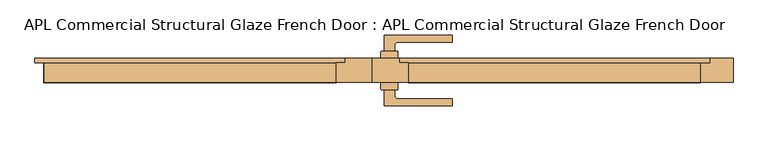
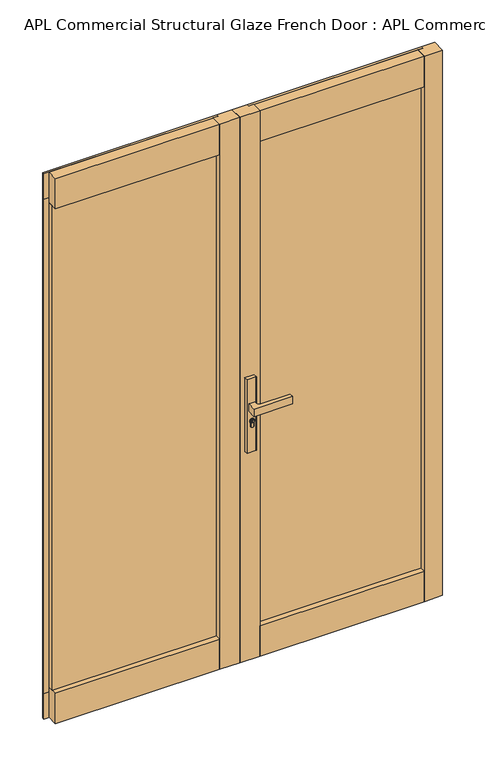
"""IFC4 building model written with IfcOpenShell, lengths in millimetres: door geometry, APL Commercial Structural Glaze French Door : APL Commercial Structural Glaze French Door."""

from ifc_helpers import new_model, si_unit, point, frame, frame_2d, origin, origin_with_axes, place, context, project, spatial, polyline, circle_curve, trimmed, segment, composite_curve, outline, extrude, faceted_brep, source, transform, mapped, element, save


def apl_commercial_structural_glaze_french_door_apl_commercial_6f933c7a(model_context):
    return source(origin(), model_context, "Body", "SolidModel", [
        extrude(outline(composite_curve([segment(trimmed(circle_curve(frame_2d((945.687184, 35.7946715)), 5.9005564), [point((945.687184, 41.6952279))], [point((945.687184, 29.8941151))], False, "CARTESIAN"), True, "CONTINUOUS"), segment(trimmed(circle_curve(frame_2d((945.687184, 35.7946715)), 5.9005564), [point((945.687184, 29.8941151))], [point((945.687184, 41.6952279))], False, "CARTESIAN"), True, "CONTINUOUS")], self_intersect=False), holes=[polyline([(946.7492167, 34.7306001), (949.7292167, 34.7306001), (949.7292167, 36.7785396), (948.9292167, 36.7785396), (948.3483344, 35.7306001), (947.1634303, 35.7306001), (946.3431864, 36.550844), (944.6002002, 36.550844), (944.0258593, 35.7306001), (941.7685105, 35.7306001), (941.7685105, 34.7306001), (944.5464263, 34.7306001), (945.1207673, 35.550844), (945.9289729, 35.550844), (946.7492167, 34.7306001)])]), frame((0.0, -55.7737577, 0.0), z_axis=(0.0, 1.0, 0.0), x_axis=(0.0, 0.0, 1.0)), (0.0, 0.0, 1.0), 4.423715),
        extrude(outline(composite_curve([segment(polyline([(18.1461528, -50.1000422), (18.1461528, -36.1000426), (53.1461525, -36.1000426), (53.1461525, -50.1000422)]), True, "CONTINUOUS"), segment(trimmed(circle_curve(frame_2d((52.1461525, -50.1000422)), 1.0), [point((53.1461525, -50.1000422))], [point((52.1461525, -51.1000422))], False, "CARTESIAN"), True, "CONTINUOUS"), segment(polyline([(52.1461525, -51.1000422), (19.1461528, -51.1000422)]), True, "CONTINUOUS"), segment(trimmed(circle_curve(frame_2d((19.1461528, -50.1000422)), 1.0), [point((19.1461528, -51.1000422))], [point((18.1461528, -50.1000422))], False, "CARTESIAN"), True, "CONTINUOUS")], self_intersect=False)), frame((0.0, 0.0, 822.4734334), z_axis=(0.0, 0.0, 1.0), x_axis=(1.0, 0.0, 0.0)), (0.0, 0.0, 1.0), 287.6450734),
        extrude(outline(composite_curve([segment(trimmed(circle_curve(frame_2d((19.1461528, 27.8999671)), 1.0), [point((18.1461528, 27.8999671))], [point((19.1461528, 28.8999671))], False, "CARTESIAN"), True, "CONTINUOUS"), segment(polyline([(19.1461528, 28.8999671), (52.1461525, 28.8999671)]), True, "CONTINUOUS"), segment(trimmed(circle_curve(frame_2d((52.1461525, 27.8999671)), 1.0), [point((52.1461525, 28.8999671))], [point((53.1461525, 27.8999671))], False, "CARTESIAN"), True, "CONTINUOUS"), segment(polyline([(53.1461525, 27.8999671), (53.1461525, 13.8999674), (18.1461528, 13.8999674), (18.1461528, 27.8999671)]), True, "CONTINUOUS")], self_intersect=False)), frame((0.0, 0.0, 822.4734334), z_axis=(0.0, 0.0, 1.0), x_axis=(1.0, 0.0, 0.0)), (0.0, 0.0, 1.0), 287.6450734),
        extrude(outline(composite_curve([segment(trimmed(circle_curve(frame_2d((945.687184, 35.7946715)), 8.4005564), [point((939.648662, 41.6346715))], [point((939.2521745, 30.3946715))], False, "CARTESIAN"), True, "CONTINUOUS"), segment(polyline([(939.2521745, 30.3946715), (926.2077404, 30.3946715)]), True, "CONTINUOUS"), segment(trimmed(circle_curve(frame_2d((926.2077404, 36.0146715)), 5.62), [point((926.2077404, 30.3946715))], [point((926.2077404, 41.6346715))], False, "CARTESIAN"), True, "CONTINUOUS"), segment(polyline([(926.2077404, 41.6346715), (939.648662, 41.6346715)]), True, "CONTINUOUS")], self_intersect=False), holes=[composite_curve([segment(trimmed(circle_curve(frame_2d((945.687184, 35.7946715)), 6.4005564), [point((945.687184, 42.1952279))], [point((945.687184, 29.3941151))], True, "CARTESIAN"), True, "CONTINUOUS"), segment(trimmed(circle_curve(frame_2d((945.687184, 35.7946715)), 6.4005564), [point((945.687184, 29.3941151))], [point((945.687184, 42.1952279))], True, "CARTESIAN"), True, "CONTINUOUS")], self_intersect=False)]), frame((0.0, -54.4093831, 0.0), z_axis=(0.0, 1.0, 0.0), x_axis=(0.0, 0.0, 1.0)), (0.0, 0.0, 1.0), 3.0593403),
        extrude(outline(composite_curve([segment(trimmed(circle_curve(frame_2d((945.687184, 35.7946715)), 6.4005564), [point((945.687184, 29.3941151))], [point((945.687184, 42.1952279))], False, "CARTESIAN"), True, "CONTINUOUS"), segment(trimmed(circle_curve(frame_2d((945.687184, 35.7946715)), 6.4005564), [point((945.687184, 42.1952279))], [point((945.687184, 29.3941151))], False, "CARTESIAN"), True, "CONTINUOUS")], self_intersect=False), holes=[composite_curve([segment(trimmed(circle_curve(frame_2d((945.687184, 35.7946715)), 5.9005564), [point((945.687184, 29.8941151))], [point((945.687184, 41.6952279))], True, "CARTESIAN"), True, "CONTINUOUS"), segment(trimmed(circle_curve(frame_2d((945.687184, 35.7946715)), 5.9005564), [point((945.687184, 41.6952279))], [point((945.687184, 29.8941151))], True, "CARTESIAN"), True, "CONTINUOUS")], self_intersect=False)]), frame((0.0, -54.4093831, 0.0), z_axis=(0.0, 1.0, 0.0), x_axis=(0.0, 0.0, 1.0)), (0.0, 0.0, 1.0), 3.0593403),
        extrude(outline(composite_curve([segment(polyline([(939.1595834, 30.1946715), (926.2077404, 30.1946715)]), True, "CONTINUOUS"), segment(trimmed(circle_curve(frame_2d((926.2077404, 36.0146715)), 5.82), [point((926.2077404, 30.1946715))], [point((926.2077404, 41.8346715))], False, "CARTESIAN"), True, "CONTINUOUS"), segment(polyline([(926.2077404, 41.8346715), (939.564442, 41.8346715)]), True, "CONTINUOUS"), segment(trimmed(circle_curve(frame_2d((945.687184, 35.7946715)), 8.6005564), [point((939.564442, 41.8346715))], [point((939.1595834, 30.1946715))], False, "CARTESIAN"), True, "CONTINUOUS")], self_intersect=False), holes=[composite_curve([segment(polyline([(926.2077404, 30.3946715), (939.2521745, 30.3946715)]), True, "CONTINUOUS"), segment(trimmed(circle_curve(frame_2d((945.687184, 35.7946715)), 8.4005564), [point((939.2521745, 30.3946715))], [point((939.648662, 41.6346715))], True, "CARTESIAN"), True, "CONTINUOUS"), segment(polyline([(939.648662, 41.6346715), (926.2077404, 41.6346715)]), True, "CONTINUOUS"), segment(trimmed(circle_curve(frame_2d((926.2077404, 36.0146715)), 5.62), [point((926.2077404, 41.6346715))], [point((926.2077404, 30.3946715))], True, "CARTESIAN"), True, "CONTINUOUS")], self_intersect=False)]), frame((0.0, -54.4093831, 0.0), z_axis=(0.0, 1.0, 0.0), x_axis=(0.0, 0.0, 1.0)), (0.0, 0.0, 1.0), 3.0593403),
        extrude(outline(composite_curve([segment(polyline([(24.6461526, -84.9566836), (24.6461526, -51.3500427), (46.6461526, -51.3500427), (46.6461526, -62.8500426)]), True, "CONTINUOUS"), segment(trimmed(circle_curve(frame_2d((54.1461526, -62.8500426)), 7.5), [point((46.6461526, -62.8500426))], [point((54.1506874, -70.3500412))], True, "CARTESIAN"), True, "CONTINUOUS"), segment(polyline([(54.1506874, -70.3500412), (166.646158, -70.3500412), (166.646158, -84.3500422)]), True, "CONTINUOUS"), segment(trimmed(circle_curve(frame_2d((91.646153, 851.6499574)), 939.0), [point((166.646158, -84.3500422))], [point((24.6461526, -84.9566836))], False, "CARTESIAN"), True, "CONTINUOUS")], self_intersect=False)), frame((0.0, 0.0, 985.1796291), z_axis=(0.0, 0.0, 1.0), x_axis=(1.0, 0.0, 0.0)), (0.0, 0.0, 1.0), 29.6407418),
        extrude(outline(composite_curve([segment(trimmed(circle_curve(frame_2d((945.687184, 35.7946715)), 5.9005564), [point((945.687184, 41.6952279))], [point((945.687184, 29.8941151))], False, "CARTESIAN"), True, "CONTINUOUS"), segment(trimmed(circle_curve(frame_2d((945.687184, 35.7946715)), 5.9005564), [point((945.687184, 29.8941151))], [point((945.687184, 41.6952279))], False, "CARTESIAN"), True, "CONTINUOUS")], self_intersect=False), holes=[polyline([(946.7492167, 34.7306001), (949.7292167, 34.7306001), (949.7292167, 36.7785396), (948.9292167, 36.7785396), (948.3483344, 35.7306001), (947.1634303, 35.7306001), (946.3431864, 36.550844), (944.6002002, 36.550844), (944.0258593, 35.7306001), (941.7685105, 35.7306001), (941.7685105, 34.7306001), (944.5464263, 34.7306001), (945.1207673, 35.550844), (945.9289729, 35.550844), (946.7492167, 34.7306001)])]), frame((0.0, 29.1499676, 0.0), z_axis=(0.0, 1.0, 0.0), x_axis=(0.0, 0.0, 1.0)), (0.0, 0.0, 1.0), 4.423715),
        extrude(outline(composite_curve([segment(trimmed(circle_curve(frame_2d((945.687184, 35.7946715)), 8.4005564), [point((939.648662, 41.6346715))], [point((939.2521745, 30.3946715))], False, "CARTESIAN"), True, "CONTINUOUS"), segment(polyline([(939.2521745, 30.3946715), (926.2077404, 30.3946715)]), True, "CONTINUOUS"), segment(trimmed(circle_curve(frame_2d((926.2077404, 36.0146715)), 5.62), [point((926.2077404, 30.3946715))], [point((926.2077404, 41.6346715))], False, "CARTESIAN"), True, "CONTINUOUS"), segment(polyline([(926.2077404, 41.6346715), (939.648662, 41.6346715)]), True, "CONTINUOUS")], self_intersect=False), holes=[composite_curve([segment(trimmed(circle_curve(frame_2d((945.687184, 35.7946715)), 6.4005564), [point((945.687184, 42.1952279))], [point((945.687184, 29.3941151))], True, "CARTESIAN"), True, "CONTINUOUS"), segment(trimmed(circle_curve(frame_2d((945.687184, 35.7946715)), 6.4005564), [point((945.687184, 29.3941151))], [point((945.687184, 42.1952279))], True, "CARTESIAN"), True, "CONTINUOUS")], self_intersect=False)]), frame((0.0, 29.1499676, 0.0), z_axis=(0.0, 1.0, 0.0), x_axis=(0.0, 0.0, 1.0)), (0.0, 0.0, 1.0), 3.0593403),
        extrude(outline(composite_curve([segment(trimmed(circle_curve(frame_2d((945.687184, 35.7946715)), 6.4005564), [point((945.687184, 29.3941151))], [point((945.687184, 42.1952279))], False, "CARTESIAN"), True, "CONTINUOUS"), segment(trimmed(circle_curve(frame_2d((945.687184, 35.7946715)), 6.4005564), [point((945.687184, 42.1952279))], [point((945.687184, 29.3941151))], False, "CARTESIAN"), True, "CONTINUOUS")], self_intersect=False), holes=[composite_curve([segment(trimmed(circle_curve(frame_2d((945.687184, 35.7946715)), 5.9005564), [point((945.687184, 29.8941151))], [point((945.687184, 41.6952279))], True, "CARTESIAN"), True, "CONTINUOUS"), segment(trimmed(circle_curve(frame_2d((945.687184, 35.7946715)), 5.9005564), [point((945.687184, 41.6952279))], [point((945.687184, 29.8941151))], True, "CARTESIAN"), True, "CONTINUOUS")], self_intersect=False)]), frame((0.0, 29.1499676, 0.0), z_axis=(0.0, 1.0, 0.0), x_axis=(0.0, 0.0, 1.0)), (0.0, 0.0, 1.0), 3.0593403),
        extrude(outline(composite_curve([segment(polyline([(939.1595834, 30.1946715), (926.2077404, 30.1946715)]), True, "CONTINUOUS"), segment(trimmed(circle_curve(frame_2d((926.2077404, 36.0146715)), 5.82), [point((926.2077404, 30.1946715))], [point((926.2077404, 41.8346715))], False, "CARTESIAN"), True, "CONTINUOUS"), segment(polyline([(926.2077404, 41.8346715), (939.564442, 41.8346715)]), True, "CONTINUOUS"), segment(trimmed(circle_curve(frame_2d((945.687184, 35.7946715)), 8.6005564), [point((939.564442, 41.8346715))], [point((939.1595834, 30.1946715))], False, "CARTESIAN"), True, "CONTINUOUS")], self_intersect=False), holes=[composite_curve([segment(polyline([(926.2077404, 30.3946715), (939.2521745, 30.3946715)]), True, "CONTINUOUS"), segment(trimmed(circle_curve(frame_2d((945.687184, 35.7946715)), 8.4005564), [point((939.2521745, 30.3946715))], [point((939.648662, 41.6346715))], True, "CARTESIAN"), True, "CONTINUOUS"), segment(polyline([(939.648662, 41.6346715), (926.2077404, 41.6346715)]), True, "CONTINUOUS"), segment(trimmed(circle_curve(frame_2d((926.2077404, 36.0146715)), 5.62), [point((926.2077404, 41.6346715))], [point((926.2077404, 30.3946715))], True, "CARTESIAN"), True, "CONTINUOUS")], self_intersect=False)]), frame((0.0, 29.1499676, 0.0), z_axis=(0.0, 1.0, 0.0), x_axis=(0.0, 0.0, 1.0)), (0.0, 0.0, 1.0), 3.0593403),
        extrude(outline(composite_curve([segment(trimmed(circle_curve(frame_2d((91.646153, -873.8500326)), 939.0), [point((24.6461526, 62.7566084))], [point((166.646158, 62.149967))], False, "CARTESIAN"), True, "CONTINUOUS"), segment(polyline([(166.646158, 62.149967), (166.646158, 48.1499661), (54.1506874, 48.1499661)]), True, "CONTINUOUS"), segment(trimmed(circle_curve(frame_2d((54.1461526, 40.6499674)), 7.5), [point((54.1506874, 48.1499661))], [point((46.6461526, 40.6499674))], True, "CARTESIAN"), True, "CONTINUOUS"), segment(polyline([(46.6461526, 40.6499674), (46.6461526, 29.1499676), (24.6461526, 29.1499676), (24.6461526, 62.7566084)]), True, "CONTINUOUS")], self_intersect=False)), frame((0.0, 0.0, 985.1796291), z_axis=(0.0, 0.0, 1.0), x_axis=(1.0, 0.0, 0.0)), (0.0, 0.0, 1.0), 29.6407418),
        extrude(outline(polyline([(74.9951849, 4.9045752), (55.9951829, 4.9045752), (55.9951829, 13.8999674), (74.9951849, 13.8999674), (74.9951849, 4.9045752)])), frame((0.0, 0.0, 100.0), z_axis=(0.0, 0.0, 1.0), x_axis=(1.0, 0.0, 0.0)), (0.0, 0.0, 1.0), 1936.0000682),
        extrude(outline(polyline([(-56.0, 4.9045752), (-75.000002, 4.9045752), (-75.000002, 13.8999674), (-56.0, 13.8999674), (-56.0, 4.9045752)])), frame((0.0, 0.0, 100.0), z_axis=(0.0, 0.0, 1.0), x_axis=(1.0, 0.0, 0.0)), (0.0, 0.0, 1.0), 1936.0000682),
        faceted_brep([(75.0, -36.1000426, 119.05), (75.0, 4.9045752, 119.05), (75.0, 4.9045752, 100.0), (75.0, 4.9045752, 0.0), (75.0, -36.1000426, 0.0), (684.000022, -36.1000426, 119.05), (684.000022, -36.1000426, 0.0), (684.000022, 4.9045752, 0.0), (684.000022, 4.9045752, 100.0), (684.000022, 4.9045752, 119.05), (56.0654397, 4.9045752, 0.0), (56.0654397, 13.8999674, 0.0), (703.000024, 13.8999674, 0.0), (703.000024, 4.9045752, 0.0), (56.0654397, 4.9045752, 100.0), (56.0654397, 13.8999674, 100.0), (703.000024, 4.9045752, 100.0), (703.000024, 13.8999674, 100.0)], [[[0, 1, 2, 3, 4]], [[5, 6, 7, 8, 9]], [[0, 4, 6, 5]], [[1, 0, 5, 9]], [[1, 9, 8, 2]], [[4, 3, 10, 11, 12, 13, 7, 6]], [[14, 15, 11, 10]], [[16, 13, 12, 17]], [[14, 10, 3, 2]], [[13, 16, 8, 7]], [[15, 14, 2, 8, 16, 17]], [[11, 15, 17, 12]]]),
        extrude(outline(polyline([(0.0, -36.1000426), (0.0, 13.8999674), (56.0, 13.8999674), (56.0, 4.9045752), (75.0, 4.9045752), (75.0, -36.1000426), (0.0, -36.1000426)])), origin_with_axes(), (0.0, 0.0, 1.0), 2136.0500682),
        extrude(outline(polyline([(0.0, -36.1000326), (-75.000002, -36.1000326), (-75.000002, 4.9045752), (-56.0, 4.9045752), (-56.0, 13.8999674), (0.0, 13.8999674), (0.0, -36.1000326)])), origin_with_axes(), (0.0, 0.0, 1.0), 2136.0500682),
        extrude(outline(polyline([(-75.0, 4.9045752), (-75.0, -16.0954248), (-683.90533, -16.0954248), (-683.90533, 4.9045752), (-75.0, 4.9045752)])), frame((0.0, 0.0, 119.05), z_axis=(0.0, 0.0, 1.0), x_axis=(1.0, 0.0, 0.0)), (0.0, 0.0, 1.0), 1897.9500662),
        extrude(outline(polyline([(-56.0, 13.8999674), (-56.0, 4.9045752), (-702.9042559, 4.9045752), (-702.9042559, 13.8999674), (-56.0, 13.8999674)])), frame((0.0, 0.0, 2036.0000682), z_axis=(0.0, 0.0, 1.0), x_axis=(1.0, 0.0, 0.0)), (0.0, 0.0, 1.0), 100.05),
        extrude(outline(polyline([(-75.000002, 4.9045752), (-75.000002, -36.1000651), (-683.90533, -36.1000651), (-683.90533, 4.9045752), (-75.000002, 4.9045752)])), frame((0.0, 0.0, 2017.0000682), z_axis=(0.0, 0.0, 1.0), x_axis=(1.0, 0.0, 0.0)), (0.0, 0.0, 1.0), 119.05),
        extrude(outline(polyline([(-75.000002, 4.9045752), (-75.000002, -36.1000651), (-684.0010981, -36.1000651), (-684.0010981, 4.9045752), (-75.000002, 4.9045752)])), origin_with_axes(), (0.0, 0.0, 1.0), 119.05),
        extrude(outline(polyline([(-75.000002, 13.8999674), (-75.000002, 4.9045752), (-683.90533, 4.9045752), (-683.90533, 13.8999674), (-75.000002, 13.8999674)])), frame((0.0, 0.0, 2017.0000682), z_axis=(0.0, 0.0, 1.0), x_axis=(1.0, 0.0, 0.0)), (0.0, 0.0, 1.0), 19.0),
        extrude(outline(polyline([(-75.000002, 13.8999674), (-75.000002, 4.9045752), (-683.90533, 4.9045752), (-683.90533, 13.8999674), (-75.000002, 13.8999674)])), frame((0.0, 0.0, 100.0), z_axis=(0.0, 0.0, 1.0), x_axis=(1.0, 0.0, 0.0)), (0.0, 0.0, 1.0), 19.05),
        extrude(outline(polyline([(-56.0, 13.8999674), (-56.0, 4.9045752), (-702.9042559, 4.9045752), (-702.9042559, 13.8999674), (-56.0, 13.8999674)])), origin_with_axes(), (0.0, 0.0, 1.0), 100.0),
        extrude(outline(polyline([(75.0, 4.9045752), (684.000022, 4.9045752), (684.000022, -16.0954248), (75.0, -16.0954248), (75.0, 4.9045752)])), frame((0.0, 0.0, 119.05), z_axis=(0.0, 0.0, 1.0), x_axis=(1.0, 0.0, 0.0)), (0.0, 0.0, 1.0), 1897.9500662),
        extrude(outline(polyline([(684.000022, 4.9045752), (684.000022, 13.8999674), (703.000024, 13.8999674), (703.000024, 4.9045752), (684.000022, 4.9045752)])), frame((0.0, 0.0, 100.0), z_axis=(0.0, 0.0, 1.0), x_axis=(1.0, 0.0, 0.0)), (0.0, 0.0, 1.0), 1936.0000682),
        extrude(outline(polyline([(56.0654397, 4.9045752), (56.0654397, 13.8999674), (703.000024, 13.8999674), (703.000024, 4.9045752), (56.0654397, 4.9045752)])), frame((0.0, 0.0, 2036.0000682), z_axis=(0.0, 0.0, 1.0), x_axis=(1.0, 0.0, 0.0)), (0.0, 0.0, 1.0), 100.05),
        extrude(outline(polyline([(75.0, -36.1000651), (75.0, 4.9045752), (684.000022, 4.9045752), (684.000022, -36.1000651), (75.0, -36.1000651)])), frame((0.0, 0.0, 2017.0000682), z_axis=(0.0, 0.0, 1.0), x_axis=(1.0, 0.0, 0.0)), (0.0, 0.0, 1.0), 119.05),
        extrude(outline(polyline([(75.0, 4.9045752), (75.0, 13.8999674), (684.000022, 13.8999674), (684.000022, 4.9045752), (75.0, 4.9045752)])), frame((0.0, 0.0, 2017.0000682), z_axis=(0.0, 0.0, 1.0), x_axis=(1.0, 0.0, 0.0)), (0.0, 0.0, 1.0), 19.0),
        extrude(outline(polyline([(75.0, 4.9045752), (75.0, 13.8999674), (684.000022, 13.8999674), (684.000022, 4.9045752), (75.0, 4.9045752)])), frame((0.0, 0.0, 100.0), z_axis=(0.0, 0.0, 1.0), x_axis=(1.0, 0.0, 0.0)), (0.0, 0.0, 1.0), 19.05),
        extrude(outline(polyline([(-683.90533, 4.9045752), (-702.9042559, 4.9045752), (-702.9042559, 13.8999674), (-683.90533, 13.8999674), (-683.90533, 4.9045752)])), frame((0.0, 0.0, 100.0), z_axis=(0.0, 0.0, 1.0), x_axis=(1.0, 0.0, 0.0)), (0.0, 0.0, 1.0), 1936.0000682),
        extrude(outline(polyline([(684.000022, -36.1000651), (684.000022, 4.9045752), (703.000024, 4.9045752), (703.000024, 13.8999674), (752.0000844, 13.8999674), (752.0000844, -36.1000651), (684.000022, -36.1000651)])), origin_with_axes(), (0.0, 0.0, 1.0), 2136.0500682),
    ])


if __name__ == "__main__":
    model = new_model("IFC4")
    model_context = context("Model", 3, world=origin())
    ifc_project = project(units=[si_unit("LENGTHUNIT", "METRE", prefix="MILLI")], contexts=[model_context])
    site = spatial("IfcSite", under=ifc_project)
    building = spatial("IfcBuilding", under=site)
    placement = place(None, origin())
    apl_commercial_structural_glaze_french_door_apl_commercial_shape = apl_commercial_structural_glaze_french_door_apl_commercial_6f933c7a(model_context)
    element("IfcDoor", 1, ObjectType="APL Commercial Structural Glaze French Door : APL Commercial Structural Glaze French Door", at=placement, inside=building, context=model_context, shape_type="MappedRepresentation", body=[
        mapped(apl_commercial_structural_glaze_french_door_apl_commercial_shape, transform((0.0, 0.0, 0.0), x_axis=(1.0, 0.0, 0.0), y_axis=(0.0, 1.0, 0.0), z_axis=(0.0, 0.0, 1.0))),
    ])
    save(model, "model.ifc")
